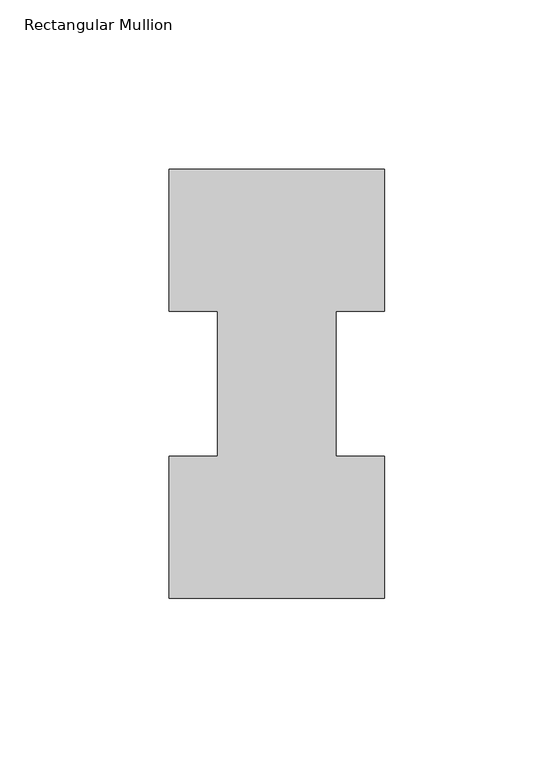
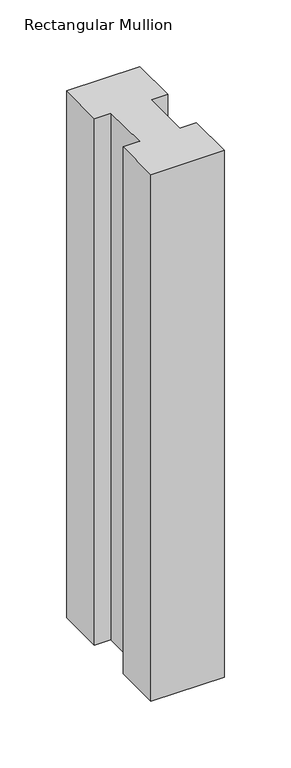
"""IFC4 building model written with IfcOpenShell, lengths in millimetres: member geometry, Rectangular Mullion."""

from ifc_helpers import new_model, si_unit, frame, origin, place, context, project, spatial, polyline, outline, extrude, source, transform, mapped, element, save


def rectangular_mullion_b905aac4(model_context):
    return source(origin(), model_context, "Body", "SweptSolid", [
        extrude(outline(polyline([(-63.5, -0.0373063), (-63.5, 41.7837937), (-49.2125, 41.7837937), (-49.2125, 84.6335938), (-63.5, 84.6335938), (-63.5, 126.4546937), (0.0, 126.4546937), (0.0, 84.6335938), (-14.2748, 84.6335938), (-14.2748, 41.7837937), (0.0, 41.7837937), (0.0, -0.0373063), (-63.5, -0.0373063)])), frame((0.0, 0.0, -482.6), z_axis=(0.0, 0.0, 1.0), x_axis=(1.0, 0.0, 0.0)), (0.0, 0.0, 1.0), 482.6),
    ])


if __name__ == "__main__":
    model = new_model("IFC4")
    model_context = context("Model", 3, world=origin())
    ifc_project = project(units=[si_unit("LENGTHUNIT", "METRE", prefix="MILLI")], contexts=[model_context])
    site = spatial("IfcSite", under=ifc_project)
    building = spatial("IfcBuilding", under=site)
    placement = place(None, origin())
    rectangular_mullion_shape = rectangular_mullion_b905aac4(model_context)
    element("IfcMember", 1, ObjectType="Rectangular Mullion", at=placement, inside=building, context=model_context, shape_type="MappedRepresentation", body=[
        mapped(rectangular_mullion_shape, transform((0.0, 0.0, 0.0), x_axis=(1.0, 0.0, 0.0), y_axis=(0.0, 1.0, 0.0), z_axis=(0.0, 0.0, 1.0))),
    ])
    save(model, "model.ifc")
